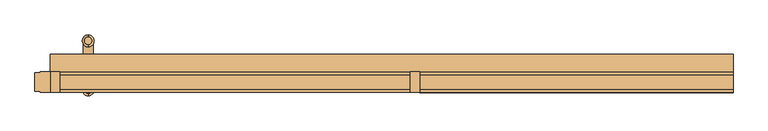
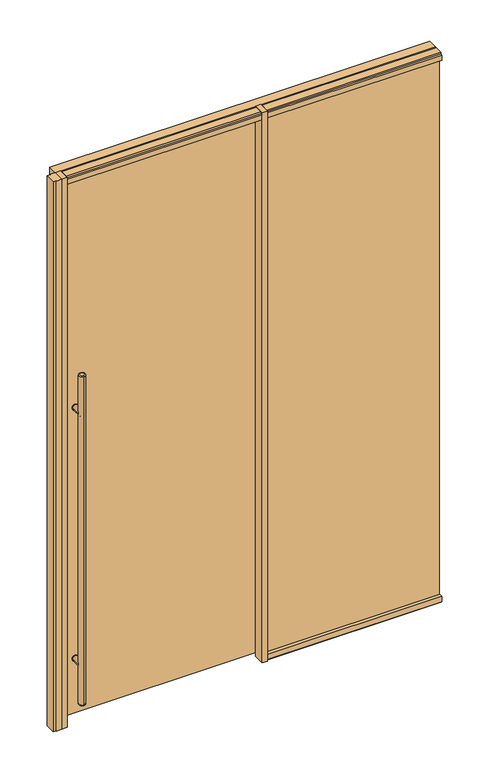
"""IFC4 building model written with IfcOpenShell, lengths in millimetres: door geometry."""

from ifc_helpers import new_model, si_unit, point, frame, frame_2d, origin, origin_with_axes, place, context, project, spatial, polyline, circle_curve, ellipse_curve, trimmed, segment, composite_curve, outline, extrude, source, transform, mapped, element, save
from ifc_brep_helpers import plane_surface, cylinder_surface, revolved_surface, advanced_brep


def door_8c4b2993(model_context):
    return source(origin(), model_context, "Body", "SolidModel", [
        extrude(outline(composite_curve([segment(trimmed(circle_curve(frame_2d((312.7375, -885.825)), 15.875), [point((312.7375, -901.7))], [point((312.7375, -869.95))], False, "CARTESIAN"), True, "CONTINUOUS"), segment(trimmed(circle_curve(frame_2d((312.7375, -885.825)), 15.875), [point((312.7375, -869.95))], [point((312.7375, -901.7))], False, "CARTESIAN"), True, "CONTINUOUS")], self_intersect=False)), frame((0.0, 39.6875, 0.0), z_axis=(0.0, 1.0, 0.0), x_axis=(0.0, 0.0, 1.0)), (0.0, 0.0, 1.0), 3.175),
        extrude(outline(composite_curve([segment(trimmed(circle_curve(frame_2d((1703.3875, -885.825)), 15.875), [point((1703.3875, -869.95))], [point((1703.3875, -901.7))], False, "CARTESIAN"), True, "CONTINUOUS"), segment(trimmed(circle_curve(frame_2d((1703.3875, -885.825)), 15.875), [point((1703.3875, -901.7))], [point((1703.3875, -869.95))], False, "CARTESIAN"), True, "CONTINUOUS")], self_intersect=False)), frame((0.0, 39.6875, 0.0), z_axis=(0.0, 1.0, 0.0), x_axis=(0.0, 0.0, 1.0)), (0.0, 0.0, 1.0), 3.175),
        extrude(outline(composite_curve([segment(trimmed(circle_curve(frame_2d((312.7375, -885.825)), 15.875), [point((312.7375, -901.7))], [point((312.7375, -869.95))], False, "CARTESIAN"), True, "CONTINUOUS"), segment(trimmed(circle_curve(frame_2d((312.7375, -885.825)), 15.875), [point((312.7375, -869.95))], [point((312.7375, -901.7))], False, "CARTESIAN"), True, "CONTINUOUS")], self_intersect=False)), frame((0.0, 55.5625, 0.0), z_axis=(0.0, 1.0, 0.0), x_axis=(0.0, 0.0, 1.0)), (0.0, 0.0, 1.0), 3.175),
        extrude(outline(composite_curve([segment(trimmed(circle_curve(frame_2d((1703.3875, -885.825)), 15.875), [point((1703.3875, -901.7))], [point((1703.3875, -869.95))], False, "CARTESIAN"), True, "CONTINUOUS"), segment(trimmed(circle_curve(frame_2d((1703.3875, -885.825)), 15.875), [point((1703.3875, -869.95))], [point((1703.3875, -901.7))], False, "CARTESIAN"), True, "CONTINUOUS")], self_intersect=False)), frame((0.0, 55.5625, 0.0), z_axis=(0.0, 1.0, 0.0), x_axis=(0.0, 0.0, 1.0)), (0.0, 0.0, 1.0), 3.175),
        extrude(outline(composite_curve([segment(trimmed(circle_curve(frame_2d((312.7375, -885.825)), 14.2875), [point((312.7375, -871.5375))], [point((312.7375, -900.1125))], False, "CARTESIAN"), True, "CONTINUOUS"), segment(trimmed(circle_curve(frame_2d((312.7375, -885.825)), 14.2875), [point((312.7375, -900.1125))], [point((312.7375, -871.5375))], False, "CARTESIAN"), True, "CONTINUOUS")], self_intersect=False)), frame((0.0, 55.5625, 0.0), z_axis=(0.0, 1.0, 0.0), x_axis=(0.0, 0.0, 1.0)), (0.0, 0.0, 1.0), 65.0875),
        extrude(outline(composite_curve([segment(trimmed(circle_curve(frame_2d((1703.3875, -885.825)), 14.2875), [point((1703.3875, -871.5375))], [point((1703.3875, -900.1125))], False, "CARTESIAN"), True, "CONTINUOUS"), segment(trimmed(circle_curve(frame_2d((1703.3875, -885.825)), 14.2875), [point((1703.3875, -900.1125))], [point((1703.3875, -871.5375))], False, "CARTESIAN"), True, "CONTINUOUS")], self_intersect=False)), frame((0.0, 55.5625, 0.0), z_axis=(0.0, 1.0, 0.0), x_axis=(0.0, 0.0, 1.0)), (0.0, 0.0, 1.0), 65.0875),
        advanced_brep(
        [(-885.825, -11.43, 1924.05), (-885.825, -33.02, 1924.05), (-885.825, -33.02, 95.25), (-885.825, -11.43, 95.25), (-885.825, -39.37, 101.6), (-885.825, -5.08, 101.6), (-885.825, -5.08, 1917.7), (-885.825, -39.37, 1917.7)],
        [
            (0, 1, circle_curve(frame((-885.825, -22.225, 1924.05), z_axis=(0.0, 0.0, 1.0), x_axis=(0.0, 1.0, 0.0)), 10.795)),
            (1, 0, circle_curve(frame((-885.825, -22.225, 1924.05), z_axis=(0.0, 0.0, 1.0), x_axis=(0.0, 1.0, 0.0)), 10.795)),
            (2, 3, circle_curve(frame((-885.825, -22.225, 95.25), z_axis=(0.0, 0.0, -1.0), x_axis=(0.0, 1.0, 0.0)), 10.795)),
            (3, 2, circle_curve(frame((-885.825, -22.225, 95.25), z_axis=(0.0, 0.0, -1.0), x_axis=(0.0, 1.0, 0.0)), 10.795)),
            (4, 5, circle_curve(frame((-885.825, -22.225, 101.6), z_axis=(0.0, 0.0, 1.0), x_axis=(0.0, 1.0, 0.0)), 17.145)),
            (5, 6),
            (6, 7, circle_curve(frame((-885.825, -22.225, 1917.7), z_axis=(0.0, 0.0, -1.0), x_axis=(0.0, 1.0, 0.0)), 17.145)),
            (7, 4),
            (5, 4, circle_curve(frame((-885.825, -22.225, 101.6), z_axis=(0.0, 0.0, 1.0), x_axis=(0.0, 1.0, 0.0)), 17.145)),
            (7, 6, circle_curve(frame((-885.825, -22.225, 1917.7), z_axis=(0.0, 0.0, -1.0), x_axis=(0.0, 1.0, 0.0)), 17.145)),
            (2, 4, circle_curve(frame((-885.825, -33.02, 101.6), z_axis=(-1.0, 0.0, 0.0), x_axis=(0.0, -1.0, 0.0)), 6.35)),
            (5, 3, circle_curve(frame((-885.825, -11.43, 101.6), z_axis=(-1.0, 0.0, 0.0), x_axis=(0.0, 1.0, 0.0)), 6.35)),
            (7, 1, circle_curve(frame((-885.825, -33.02, 1917.7), z_axis=(-1.0, 0.0, 0.0), x_axis=(0.0, -1.0, 0.0)), 6.35)),
            (0, 6, circle_curve(frame((-885.825, -11.43, 1917.7), z_axis=(-1.0, 0.0, 0.0), x_axis=(0.0, 1.0, 0.0)), 6.35)),
        ],
        [
            plane_surface(frame((-885.825, 137.795, 1924.05), z_axis=(0.0, 0.0, 1.0), x_axis=(-1.0, 0.0, 0.0))),
            plane_surface(frame((-885.825, 137.795, 95.25), z_axis=(0.0, 0.0, -1.0), x_axis=(1.0, 0.0, 0.0))),
            cylinder_surface(frame((-885.825, -22.225, 95.25), z_axis=(0.0, 0.0, 1.0), x_axis=(0.0, 1.0, 0.0)), 17.145),
            revolved_surface(trimmed(ellipse_curve(frame((-885.825, -11.43, 101.6), z_axis=(1.0, 0.0, 0.0), x_axis=(0.0, 1.0, 0.0)), 6.35, 6.35), [point((-885.825, -11.43, 95.25))], [point((-885.825, -5.08, 101.6))], True, "CARTESIAN"), (-885.825, -22.225, 2533.65), (0.0, 0.0, 1.0)),
            revolved_surface(trimmed(ellipse_curve(frame((-885.825, -11.43, 1917.7), z_axis=(1.0, 0.0, 0.0), x_axis=(0.0, 1.0, 0.0)), 6.35, 6.35), [point((-885.825, -5.08, 1917.7))], [point((-885.825, -11.43, 1924.05))], True, "CARTESIAN"), (-885.825, -22.225, -514.35), (0.0, 0.0, 1.0)),
        ],
        [
            (0, [[1, 2]]),
            (1, [[3, 4]]),
            (2, [[5, 6, 7, 8]]),
            (2, [[9, -8, 10, -6]]),
            (3, [[11, -9, 12, -3]]),
            (3, [[-11, -4, -12, -5]]),
            (4, [[13, -1, 14, -10]]),
            (4, [[-13, -7, -14, -2]]),
        ],
    ),
        advanced_brep(
        [(-885.825, 131.445, 1924.05), (-885.825, 109.855, 1924.05), (-885.825, 109.855, 95.25), (-885.825, 131.445, 95.25), (-885.825, 103.505, 101.6), (-885.825, 137.795, 101.6), (-885.825, 137.795, 1917.7), (-885.825, 103.505, 1917.7)],
        [
            (0, 1, circle_curve(frame((-885.825, 120.65, 1924.05), z_axis=(0.0, 0.0, 1.0), x_axis=(0.0, -1.0, 0.0)), 10.795)),
            (1, 0, circle_curve(frame((-885.825, 120.65, 1924.05), z_axis=(0.0, 0.0, 1.0), x_axis=(0.0, -1.0, 0.0)), 10.795)),
            (2, 3, circle_curve(frame((-885.825, 120.65, 95.25), z_axis=(0.0, 0.0, -1.0), x_axis=(0.0, -1.0, 0.0)), 10.795)),
            (3, 2, circle_curve(frame((-885.825, 120.65, 95.25), z_axis=(0.0, 0.0, -1.0), x_axis=(0.0, -1.0, 0.0)), 10.795)),
            (4, 5, circle_curve(frame((-885.825, 120.65, 101.6), z_axis=(0.0, 0.0, 1.0), x_axis=(0.0, 1.0, 0.0)), 17.145)),
            (5, 6),
            (6, 7, circle_curve(frame((-885.825, 120.65, 1917.7), z_axis=(0.0, 0.0, -1.0), x_axis=(0.0, 1.0, 0.0)), 17.145)),
            (7, 4),
            (5, 4, circle_curve(frame((-885.825, 120.65, 101.6), z_axis=(0.0, 0.0, 1.0), x_axis=(0.0, 1.0, 0.0)), 17.145)),
            (7, 6, circle_curve(frame((-885.825, 120.65, 1917.7), z_axis=(0.0, 0.0, -1.0), x_axis=(0.0, 1.0, 0.0)), 17.145)),
            (5, 3, circle_curve(frame((-885.825, 131.445, 101.6), z_axis=(-1.0, 0.0, 0.0), x_axis=(0.0, 1.0, 0.0)), 6.35)),
            (2, 4, circle_curve(frame((-885.825, 109.855, 101.6), z_axis=(-1.0, 0.0, 0.0), x_axis=(0.0, -1.0, 0.0)), 6.35)),
            (0, 6, circle_curve(frame((-885.825, 131.445, 1917.7), z_axis=(-1.0, 0.0, 0.0), x_axis=(0.0, 1.0, 0.0)), 6.35)),
            (7, 1, circle_curve(frame((-885.825, 109.855, 1917.7), z_axis=(-1.0, 0.0, 0.0), x_axis=(0.0, -1.0, 0.0)), 6.35)),
        ],
        [
            plane_surface(frame((-885.825, 137.795, 1924.05), z_axis=(0.0, 0.0, 1.0), x_axis=(-1.0, 0.0, 0.0))),
            plane_surface(frame((-885.825, 137.795, 95.25), z_axis=(0.0, 0.0, -1.0), x_axis=(1.0, 0.0, 0.0))),
            cylinder_surface(frame((-885.825, 120.65, 95.25), z_axis=(0.0, 0.0, 1.0), x_axis=(0.0, 1.0, 0.0)), 17.145),
            revolved_surface(trimmed(ellipse_curve(frame((-885.825, 109.855, 101.6), z_axis=(1.0, 0.0, 0.0), x_axis=(0.0, -1.0, 0.0)), 6.35, 6.35), [point((-885.825, 103.505, 101.6))], [point((-885.825, 109.855, 95.25))], True, "CARTESIAN"), (-885.825, 120.65, 2533.65), (0.0, 0.0, -1.0)),
            revolved_surface(trimmed(ellipse_curve(frame((-885.825, 109.855, 1917.7), z_axis=(1.0, 0.0, 0.0), x_axis=(0.0, -1.0, 0.0)), 6.35, 6.35), [point((-885.825, 109.855, 1924.05))], [point((-885.825, 103.505, 1917.7))], True, "CARTESIAN"), (-885.825, 120.65, -514.35), (0.0, 0.0, -1.0)),
        ],
        [
            (0, [[1, 2]]),
            (1, [[3, 4]]),
            (2, [[5, 6, 7, 8]]),
            (2, [[9, -8, 10, -6]]),
            (3, [[11, -3, 12, -9]]),
            (3, [[-11, -5, -12, -4]]),
            (4, [[13, -10, 14, -1]]),
            (4, [[-13, -2, -14, -7]]),
        ],
    ),
        extrude(outline(composite_curve([segment(trimmed(circle_curve(frame_2d((312.7375, -885.825)), 14.2875), [point((312.7375, -871.5375))], [point((312.7375, -900.1125))], False, "CARTESIAN"), True, "CONTINUOUS"), segment(trimmed(circle_curve(frame_2d((312.7375, -885.825)), 14.2875), [point((312.7375, -900.1125))], [point((312.7375, -871.5375))], False, "CARTESIAN"), True, "CONTINUOUS")], self_intersect=False)), frame((0.0, -22.225, 0.0), z_axis=(0.0, 1.0, 0.0), x_axis=(0.0, 0.0, 1.0)), (0.0, 0.0, 1.0), 65.0875),
        extrude(outline(composite_curve([segment(trimmed(circle_curve(frame_2d((1703.3875, -885.825)), 14.2875), [point((1703.3875, -871.5375))], [point((1703.3875, -900.1125))], False, "CARTESIAN"), True, "CONTINUOUS"), segment(trimmed(circle_curve(frame_2d((1703.3875, -885.825)), 14.2875), [point((1703.3875, -900.1125))], [point((1703.3875, -871.5375))], False, "CARTESIAN"), True, "CONTINUOUS")], self_intersect=False)), frame((0.0, -22.225, 0.0), z_axis=(0.0, 1.0, 0.0), x_axis=(0.0, 0.0, 1.0)), (0.0, 0.0, 1.0), 65.0875),
        extrude(outline(polyline([(996.95, 6.35), (996.95, -6.35), (82.5231001, -6.35), (82.5231001, 6.35), (996.95, 6.35)])), frame((0.0, 0.0, 3.175), z_axis=(0.0, 0.0, 1.0), x_axis=(1.0, 0.0, 0.0)), (0.0, 0.0, 1.0), 3041.65),
        extrude(outline(polyline([(-996.95, 30.1625), (-996.95, -30.1625), (-1025.525, -30.1625), (-1025.525, -26.9875), (-1041.4, -26.9875), (-1041.4, 26.9875), (-1025.525, 26.9875), (-1025.525, 30.1625), (-996.95, 30.1625)])), origin_with_axes(), (0.0, 0.0, 1.0), 3048.0),
        extrude(outline(polyline([(82.5231001, 30.1625), (82.5231001, -30.1625), (53.9481001, -30.1625), (53.9481001, 30.1625), (82.5231001, 30.1625)])), origin_with_axes(), (0.0, 0.0, 1.0), 3048.0),
        extrude(outline(polyline([(-968.375, 30.1625), (-968.375, -30.1625), (-996.95, -30.1625), (-996.95, 30.1625), (-968.375, 30.1625)])), origin_with_axes(), (0.0, 0.0, 1.0), 3048.0),
        extrude(outline(polyline([(82.5231001, 55.5625), (82.5231001, 42.8625), (-996.95, 42.8625), (-996.95, 55.5625), (82.5231001, 55.5625)])), frame((0.0, 0.0, 9.525), z_axis=(0.0, 0.0, 1.0), x_axis=(1.0, 0.0, 0.0)), (0.0, 0.0, 1.0), 2987.675),
        extrude(outline(polyline([(20.6375, 3048.0), (20.6375, 3038.475), (30.1625, 3038.475), (30.1625, 3009.9), (11.1125, 3009.9), (11.1125, 3044.825), (-11.1125, 3044.825), (-11.1125, 3009.9), (-30.1625, 3009.9), (-30.1625, 3038.475), (-20.6375, 3038.475), (-20.6375, 3048.0), (20.6375, 3048.0)])), frame((-968.375, 0.0, 0.0), z_axis=(1.0, 0.0, 0.0), x_axis=(0.0, 1.0, 0.0)), (0.0, 0.0, 1.0), 1022.3231001),
        extrude(outline(polyline([(996.95, 80.9625), (996.95, 30.1625), (-996.95, 30.1625), (-996.95, 80.9625), (996.95, 80.9625)])), frame((0.0, 0.0, 3009.9), z_axis=(0.0, 0.0, 1.0), x_axis=(1.0, 0.0, 0.0)), (0.0, 0.0, 1.0), 38.1),
        extrude(outline(polyline([(30.1625, 9.525), (20.6375, 9.525), (20.6375, 0.0), (-20.6375, 0.0), (-20.6375, 9.525), (-30.1625, 9.525), (-30.1625, 38.1), (-11.1125, 38.1), (-11.1125, 3.175), (11.1125, 3.175), (11.1125, 38.1), (30.1625, 38.1), (30.1625, 9.525)])), frame((82.5231001, 0.0, 0.0), z_axis=(1.0, 0.0, 0.0), x_axis=(0.0, 1.0, 0.0)), (0.0, 0.0, 1.0), 914.4268999),
        extrude(outline(polyline([(30.1625, 3038.475), (30.1625, 3009.9), (11.1125, 3009.9), (11.1125, 3044.825), (-11.1125, 3044.825), (-11.1125, 3009.9), (-30.1625, 3009.9), (-30.1625, 3038.475), (-20.6375, 3038.475), (-20.6375, 3048.0), (20.6375, 3048.0), (20.6375, 3038.475), (30.1625, 3038.475)])), frame((82.5231001, 0.0, 0.0), z_axis=(1.0, 0.0, 0.0), x_axis=(0.0, 1.0, 0.0)), (0.0, 0.0, 1.0), 914.4268999),
    ])


if __name__ == "__main__":
    model = new_model("IFC4")
    model_context = context("Model", 3, world=origin())
    ifc_project = project(units=[si_unit("LENGTHUNIT", "METRE", prefix="MILLI")], contexts=[model_context])
    site = spatial("IfcSite", under=ifc_project)
    building = spatial("IfcBuilding", under=site)
    placement = place(None, origin())
    door_shape = door_8c4b2993(model_context)
    element("IfcDoor", 1, at=placement, inside=building, context=model_context, shape_type="MappedRepresentation", body=[
        mapped(door_shape, transform((0.0, 0.0, 0.0), x_axis=(1.0, 0.0, 0.0), y_axis=(0.0, 1.0, 0.0), z_axis=(0.0, 0.0, 1.0))),
    ])
    save(model, "model.ifc")
